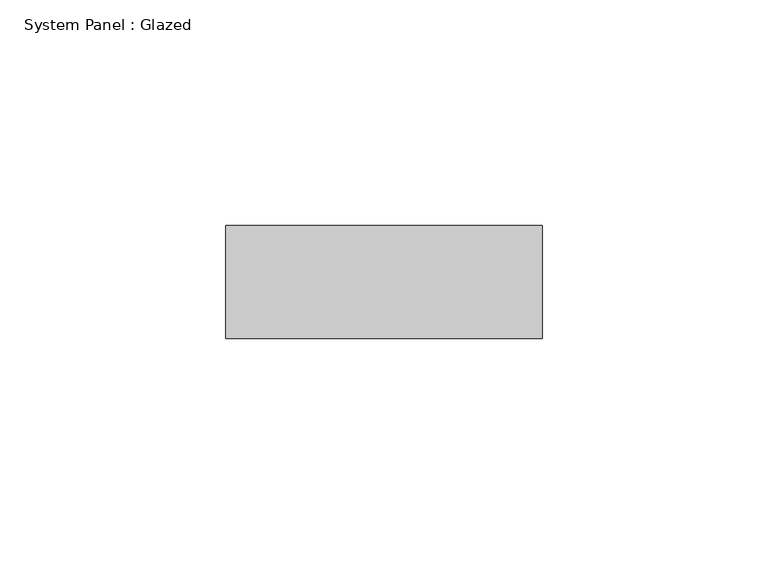
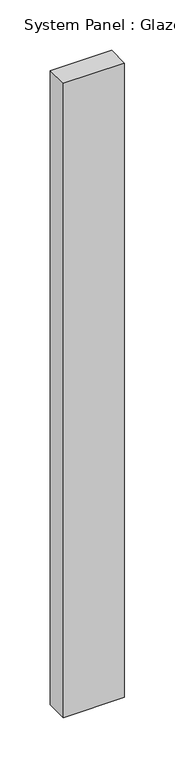
"""IFC4 building model written with IfcOpenShell, lengths in millimetres: plate geometry, System Panel : Glazed."""

from ifc_helpers import new_model, si_unit, origin, origin_with_axes, place, context, project, spatial, polyline, outline, extrude, source, transform, mapped, element, save


def system_panel_glazed_6bd880b4(model_context):
    return source(origin(), model_context, "Body", "SweptSolid", [
        extrude(outline(polyline([(35.0, -49.5), (-35.0, -49.5), (-35.0, -24.5), (35.0, -24.5), (35.0, -49.5)])), origin_with_axes(), (0.0, 0.0, 1.0), 766.6666667),
    ])


if __name__ == "__main__":
    model = new_model("IFC4")
    model_context = context("Model", 3, world=origin())
    ifc_project = project(units=[si_unit("LENGTHUNIT", "METRE", prefix="MILLI")], contexts=[model_context])
    site = spatial("IfcSite", under=ifc_project)
    building = spatial("IfcBuilding", under=site)
    placement = place(None, origin())
    system_panel_glazed_shape = system_panel_glazed_6bd880b4(model_context)
    element("IfcPlate", 1, ObjectType="System Panel : Glazed", at=placement, inside=building, context=model_context, shape_type="MappedRepresentation", body=[
        mapped(system_panel_glazed_shape, transform((0.0, 0.0, 0.0), x_axis=(1.0, 0.0, 0.0), y_axis=(0.0, 1.0, 0.0), z_axis=(0.0, 0.0, 1.0))),
    ])
    save(model, "model.ifc")
